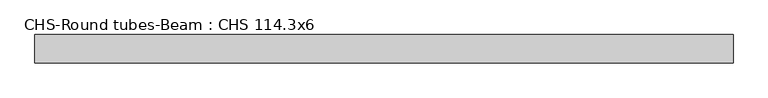
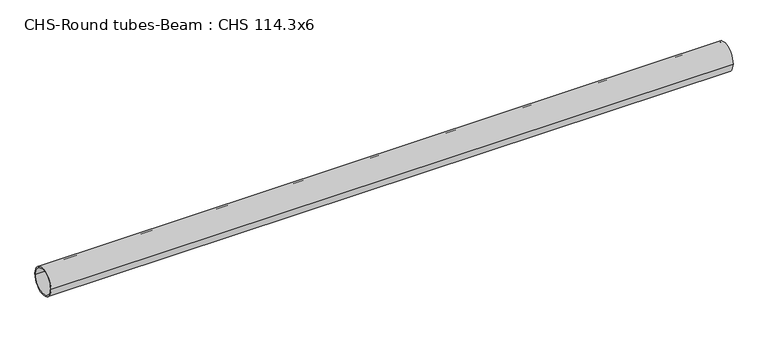
"""IFC4 building model written with IfcOpenShell, lengths in millimetres: beam geometry, CHS-Round tubes-Beam : CHS 114.3x6."""

from ifc_helpers import new_model, si_unit, point, frame, origin, origin_2d, place, context, project, spatial, circle_curve, trimmed, segment, composite_curve, outline, extrude, source, transform, mapped, element, save


def chs_round_tubes_beam_chs_114_3x6_a11cc89f(model_context):
    return source(origin(), model_context, "Body", "SweptSolid", [
        extrude(outline(composite_curve([segment(trimmed(circle_curve(origin_2d(), 57.15), [point((57.15, 0.0))], [point((-57.15, 0.0))], False, "CARTESIAN"), True, "CONTINUOUS"), segment(trimmed(circle_curve(origin_2d(), 57.15), [point((-57.15, 0.0))], [point((57.15, 0.0))], False, "CARTESIAN"), True, "CONTINUOUS")], self_intersect=False), holes=[composite_curve([segment(trimmed(circle_curve(origin_2d(), 51.15), [point((51.15, 0.0))], [point((-51.15, 0.0))], True, "CARTESIAN"), True, "CONTINUOUS"), segment(trimmed(circle_curve(origin_2d(), 51.15), [point((-51.15, 0.0))], [point((51.15, 0.0))], True, "CARTESIAN"), True, "CONTINUOUS")], self_intersect=False)]), frame((-1400.0738401, 0.0, 0.0), z_axis=(1.0, 0.0, 0.0), x_axis=(0.0, 1.0, 0.0)), (0.0, 0.0, 1.0), 2798.9734342),
    ])


if __name__ == "__main__":
    model = new_model("IFC4")
    model_context = context("Model", 3, world=origin())
    ifc_project = project(units=[si_unit("LENGTHUNIT", "METRE", prefix="MILLI")], contexts=[model_context])
    site = spatial("IfcSite", under=ifc_project)
    building = spatial("IfcBuilding", under=site)
    placement = place(None, origin())
    chs_round_tubes_beam_chs_114_3x6_shape = chs_round_tubes_beam_chs_114_3x6_a11cc89f(model_context)
    element("IfcBeam", 1, ObjectType="CHS-Round tubes-Beam : CHS 114.3x6", at=placement, inside=building, context=model_context, shape_type="MappedRepresentation", body=[
        mapped(chs_round_tubes_beam_chs_114_3x6_shape, transform((0.0, 0.0, 0.0), x_axis=(1.0, 0.0, 0.0), y_axis=(0.0, 1.0, 0.0), z_axis=(0.0, 0.0, 1.0))),
    ])
    save(model, "model.ifc")
